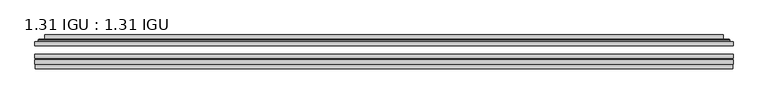
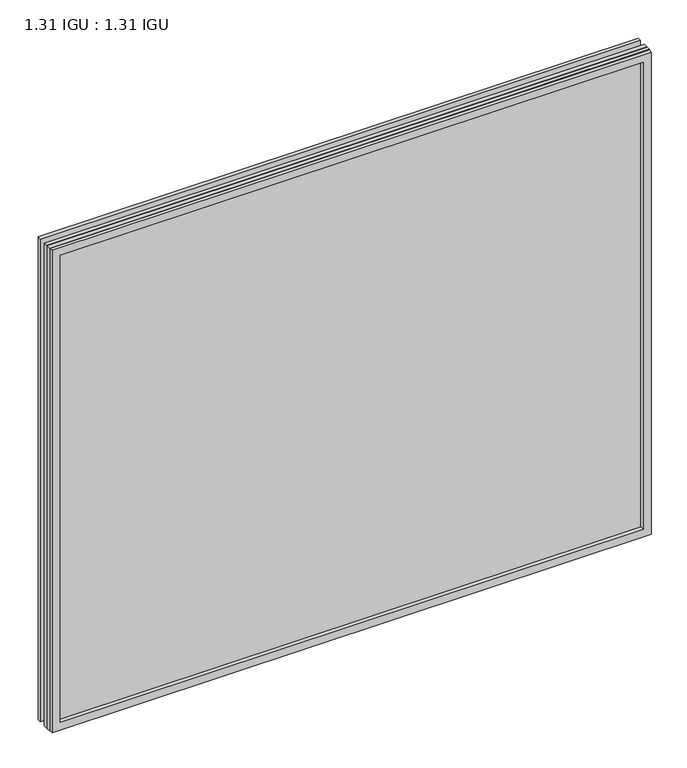
"""IFC4 building model written with IfcOpenShell, lengths in millimetres: plate geometry, 1.31 IGU : 1.31 IGU."""

from ifc_helpers import new_model, si_unit, frame, origin, place, context, project, spatial, polyline, ellipse_curve, outline, extrude, faceted_brep, source, transform, mapped, element, save
from ifc_brep_helpers import plane_surface, cylinder_surface, advanced_brep


def plate_1_31_igu_1_31_igu_73ab1890(model_context):
    return source(origin(), model_context, "Body", "SolidModel", [
        extrude(outline(polyline([(511.189175, -63.59525), (511.189175, -69.94525), (-511.175, -69.94525), (-511.175, -63.59525), (511.189175, -63.59525)])), frame((0.0, 0.0, -14.2875), z_axis=(0.0, 0.0, 1.0), x_axis=(1.0, 0.0, 0.0)), (0.0, 0.0, 1.0), 869.9537979),
        extrude(outline(polyline([(-511.175, -78.58125), (-511.175, -72.230745), (511.189175, -72.230745), (511.189175, -78.58125), (-511.175, -78.58125)])), frame((0.0, 0.0, -14.2875), z_axis=(0.0, 0.0, 1.0), x_axis=(1.0, 0.0, 0.0)), (0.0, 0.0, 1.0), 869.9537979),
        extrude(outline(polyline([(511.189175, -45.25645), (511.189175, -51.60645), (-511.175, -51.60645), (-511.175, -45.25645), (511.189175, -45.25645)])), frame((0.0, 0.0, -14.2875), z_axis=(0.0, 0.0, 1.0), x_axis=(1.0, 0.0, 0.0)), (0.0, 0.0, 1.0), 869.9537979),
        faceted_brep([(-510.4748142, -84.93125, 854.9623142), (-510.4748142, -78.58125, 854.9623142), (-510.4748142, -78.58125, -13.5873142), (-510.4748142, -84.93125, -13.5873142), (510.4748142, -78.58125, -13.5873142), (510.4748142, -84.93125, -13.5873142), (510.4748142, -78.58125, 854.9623142), (510.4748142, -84.93125, 854.9623142), (-495.9897559, -78.58125, 0.8977441), (495.9897559, -78.58125, 0.8977441), (495.9897559, -78.58125, 840.4772559), (-495.9897559, -78.58125, 840.4772559), (-496.8821902, -84.93125, 841.3696902), (496.8821902, -84.93125, 841.3696902), (496.8821902, -84.93125, 0.0053098), (-496.8821902, -84.93125, 0.0053098)], [[[0, 1, 2, 3]], [[3, 2, 4, 5]], [[5, 4, 6, 7]], [[1, 6, 4, 2], [8, 9, 10, 11]], [[7, 6, 1, 0]], [[3, 5, 7, 0], [12, 13, 14, 15]], [[11, 12, 15, 8]], [[8, 15, 14, 9]], [[9, 14, 13, 10]], [[10, 13, 12, 11]]]),
        advanced_brep(
        [(-503.933719, -45.25645, 848.4212191), (-506.2879244, -43.2667833, 850.7754244), (-506.2879244, -43.2667833, -9.4004244), (-503.933719, -45.25645, -7.046219), (-494.8593939, -41.416413, 839.3468939), (-489.9245621, -45.25645, 834.4120621), (-489.9245621, -45.25645, 6.9629379), (-494.8593939, -41.416413, 2.0281061), (-495.8914217, -36.0191819, 840.3789217), (-495.8914217, -36.0191819, 0.9960783), (-496.8820784, -35.6202069, 841.3695784), (-496.8820784, -35.6202069, 0.0054216), (-496.8820784, -42.08145, 841.3695784), (-496.8820784, -42.08145, 0.0054216), (-505.2861349, -42.08145, 849.7736349), (-505.2861349, -42.08145, -8.3986349), (506.2879244, -43.2667833, -9.4004244), (503.933719, -45.25645, -7.046219), (489.9245621, -45.25645, 6.9629379), (494.8593939, -41.416413, 2.0281061), (495.8914217, -36.0191819, 0.9960783), (496.8820784, -35.6202069, 0.0054216), (496.8820784, -42.08145, 0.0054216), (505.2861349, -42.08145, -8.3986349), (506.2879244, -43.2667833, 850.7754244), (503.933719, -45.25645, 848.4212191), (489.9245621, -45.25645, 834.4120621), (494.8593939, -41.416413, 839.3468939), (495.8914217, -36.0191819, 840.3789217), (496.8820784, -35.6202069, 841.3695784), (496.8820784, -42.08145, 841.3695784), (505.2861349, -42.08145, 849.7736349)],
        [
            (0, 1, ellipse_curve(frame((-503.933719, -42.86885, 848.4212191), z_axis=(-0.7071067811865475, 0.0, -0.7071067811865475), x_axis=(-0.7071067811865474, 0.0, 0.7071067811865476)), 3.3765763, 2.3876)),
            (1, 2),
            (2, 3, ellipse_curve(frame((-503.933719, -42.86885, -7.046219), z_axis=(-0.7071067811865475, 0.0, 0.7071067811865475), x_axis=(0.7071067811865474, 0.0, 0.7071067811865476)), 3.3765763, 2.3876)),
            (3, 0),
            (4, 5),
            (5, 6),
            (6, 7),
            (7, 4),
            (8, 4),
            (7, 9),
            (9, 8),
            (10, 8, ellipse_curve(frame((-496.5151219, -36.1384423, 841.0026219), z_axis=(-0.7071067811865475, 0.0, -0.7071067811865475), x_axis=(-0.7071067811865474, 0.0, 0.7071067811865476)), 0.8980256, 0.635)),
            (9, 11, ellipse_curve(frame((-496.5151219, -36.1384423, 0.3723781), z_axis=(-0.7071067811865475, 0.0, 0.7071067811865475), x_axis=(0.7071067811865474, 0.0, 0.7071067811865476)), 0.8980256, 0.635)),
            (11, 10),
            (12, 10),
            (11, 13),
            (13, 12),
            (1, 14, ellipse_curve(frame((-505.2861349, -43.09745, 849.7736349), z_axis=(-0.7071067811865475, 0.0, -0.7071067811865475), x_axis=(-0.7071067811865474, 0.0, 0.7071067811865476)), 1.436841, 1.016)),
            (14, 15),
            (15, 2, ellipse_curve(frame((-505.2861349, -43.09745, -8.3986349), z_axis=(-0.7071067811865475, 0.0, 0.7071067811865475), x_axis=(0.7071067811865474, 0.0, 0.7071067811865476)), 1.436841, 1.016)),
            (2, 16),
            (16, 17, ellipse_curve(frame((503.933719, -42.86885, -7.046219), z_axis=(-0.7071067811865475, 0.0, -0.7071067811865475), x_axis=(-0.7071067811865476, 0.0, 0.7071067811865474)), 3.3765763, 2.3876)),
            (17, 3),
            (6, 18),
            (18, 19),
            (19, 7),
            (19, 20),
            (20, 9),
            (20, 21, ellipse_curve(frame((496.5151219, -36.1384423, 0.3723781), z_axis=(-0.7071067811865475, 0.0, -0.7071067811865475), x_axis=(-0.7071067811865476, 0.0, 0.7071067811865474)), 0.8980256, 0.635)),
            (21, 11),
            (21, 22),
            (22, 13),
            (15, 23),
            (23, 16, ellipse_curve(frame((505.2861349, -43.09745, -8.3986349), z_axis=(-0.7071067811865475, 0.0, -0.7071067811865475), x_axis=(-0.7071067811865476, 0.0, 0.7071067811865474)), 1.436841, 1.016)),
            (16, 24),
            (24, 25, ellipse_curve(frame((503.933719, -42.86885, 848.4212191), z_axis=(0.7071067811865475, 0.0, -0.7071067811865475), x_axis=(-0.7071067811865474, 0.0, -0.7071067811865476)), 3.3765763, 2.3876)),
            (25, 17),
            (18, 26),
            (26, 27),
            (27, 19),
            (27, 28),
            (28, 20),
            (28, 29, ellipse_curve(frame((496.5151219, -36.1384423, 841.0026219), z_axis=(0.7071067811865475, 0.0, -0.7071067811865475), x_axis=(-0.7071067811865474, 0.0, -0.7071067811865476)), 0.8980256, 0.635)),
            (29, 21),
            (29, 30),
            (30, 22),
            (23, 31),
            (31, 24, ellipse_curve(frame((505.2861349, -43.09745, 849.7736349), z_axis=(0.7071067811865475, 0.0, -0.7071067811865475), x_axis=(-0.7071067811865474, 0.0, -0.7071067811865476)), 1.436841, 1.016)),
            (24, 1),
            (0, 25),
            (5, 26),
            (4, 27),
            (8, 28),
            (10, 29),
            (12, 30),
            (14, 31),
        ],
        [
            cylinder_surface(frame((-503.933719, -42.86885, 873.125), z_axis=(0.0, 0.0, 1.0), x_axis=(-1.0, 0.0, 0.0)), 2.3876),
            plane_surface(frame((-489.9245621, -45.25645, 834.4120621), z_axis=(0.6141233906514794, 0.7892100234124821, 0.0), x_axis=(0.0, 0.0, -1.0))),
            plane_surface(frame((-494.8593939, -41.416413, 839.3468939), z_axis=(0.9822050625507729, 0.18781164793386076, 0.0), x_axis=(0.0, 0.0, -1.0))),
            cylinder_surface(frame((-496.5151219, -36.1384423, 873.125), z_axis=(0.0, 0.0, 1.0), x_axis=(-1.0, 0.0, 0.0)), 0.635),
            plane_surface(frame((-496.8820784, -35.6202069, 841.3695784), z_axis=(-1.0, 0.0, 0.0), x_axis=(0.0, 0.0, -1.0))),
            cylinder_surface(frame((-505.2861349, -43.09745, 873.125), z_axis=(0.0, 0.0, 1.0), x_axis=(-1.0, 0.0, 0.0)), 1.016),
            cylinder_surface(frame((-528.6375, -42.86885, -7.046219), z_axis=(-1.0, 0.0, 0.0), x_axis=(0.0, 0.0, -1.0)), 2.3876),
            plane_surface(frame((-489.9245621, -45.25645, 6.9629379), z_axis=(0.0, 0.7892100234124841, 0.6141233906514768), x_axis=(1.0, 0.0, 0.0))),
            plane_surface(frame((-494.8593939, -41.416413, 2.0281061), z_axis=(0.0, 0.18781164793386393, 0.9822050625507723), x_axis=(1.0, 0.0, 0.0))),
            cylinder_surface(frame((-528.6375, -36.1384423, 0.3723781), z_axis=(-1.0, 0.0, 0.0), x_axis=(0.0, 0.0, -1.0)), 0.635),
            plane_surface(frame((-496.8820784, -35.6202069, 0.0054216), z_axis=(0.0, 0.0, -1.0), x_axis=(1.0, 0.0, 0.0))),
            cylinder_surface(frame((-528.6375, -43.09745, -8.3986349), z_axis=(-1.0, 0.0, 0.0), x_axis=(0.0, 0.0, -1.0)), 1.016),
            cylinder_surface(frame((503.933719, -42.86885, -31.75), z_axis=(0.0, 0.0, -1.0), x_axis=(1.0, 0.0, 0.0)), 2.3876),
            plane_surface(frame((489.9245621, -45.25645, 6.9629379), z_axis=(-0.6141233906514743, 0.7892100234124861, 0.0), x_axis=(0.0, 0.0, 1.0))),
            plane_surface(frame((494.8593939, -41.416413, 2.0281061), z_axis=(-0.9822050625507718, 0.1878116479338671, 0.0), x_axis=(0.0, 0.0, 1.0))),
            cylinder_surface(frame((496.5151219, -36.1384423, -31.75), z_axis=(0.0, 0.0, -1.0), x_axis=(1.0, 0.0, 0.0)), 0.635),
            plane_surface(frame((496.8820784, -35.6202069, 0.0054216), z_axis=(1.0, 0.0, 0.0), x_axis=(0.0, 0.0, 1.0))),
            cylinder_surface(frame((505.2861349, -43.09745, -31.75), z_axis=(0.0, 0.0, -1.0), x_axis=(1.0, 0.0, 0.0)), 1.016),
            cylinder_surface(frame((528.6375, -42.86885, 848.4212191), z_axis=(1.0, 0.0, 0.0), x_axis=(0.0, 0.0, 1.0)), 2.3876),
            plane_surface(frame((503.933719, -45.25645, 848.4212191), z_axis=(0.0, -1.0, 0.0), x_axis=(-1.0, 0.0, 0.0))),
            plane_surface(frame((489.9245621, -45.25645, 834.4120621), z_axis=(0.0, 0.7892100234124841, -0.6141233906514768), x_axis=(-1.0, 0.0, 0.0))),
            plane_surface(frame((494.8593939, -41.416413, 839.3468939), z_axis=(0.0, 0.18781164793386393, -0.9822050625507723), x_axis=(-1.0, 0.0, 0.0))),
            cylinder_surface(frame((528.6375, -36.1384423, 841.0026219), z_axis=(1.0, 0.0, 0.0), x_axis=(0.0, 0.0, 1.0)), 0.635),
            plane_surface(frame((496.8820784, -35.6202069, 841.3695784), z_axis=(0.0, 0.0, 1.0), x_axis=(-1.0, 0.0, 0.0))),
            plane_surface(frame((496.8820784, -42.08145, 841.3695784), z_axis=(0.0, 1.0, 0.0), x_axis=(-1.0, 0.0, 0.0))),
            cylinder_surface(frame((528.6375, -43.09745, 849.7736349), z_axis=(1.0, 0.0, 0.0), x_axis=(0.0, 0.0, 1.0)), 1.016),
        ],
        [
            (0, [[1, 2, 3, 4]]),
            (1, [[5, 6, 7, 8]]),
            (2, [[9, -8, 10, 11]]),
            (3, [[12, -11, 13, 14]]),
            (4, [[15, -14, 16, 17]]),
            (5, [[18, 19, 20, -2]]),
            (6, [[-3, 21, 22, 23]]),
            (7, [[-7, 24, 25, 26]]),
            (8, [[-10, -26, 27, 28]]),
            (9, [[-13, -28, 29, 30]]),
            (10, [[-16, -30, 31, 32]]),
            (11, [[-20, 33, 34, -21]]),
            (12, [[-22, 35, 36, 37]]),
            (13, [[-25, 38, 39, 40]]),
            (14, [[-27, -40, 41, 42]]),
            (15, [[-29, -42, 43, 44]]),
            (16, [[-31, -44, 45, 46]]),
            (17, [[-34, 47, 48, -35]]),
            (18, [[-36, 49, -1, 50]]),
            (19, [[-23, -37, -50, -4], [51, -38, -24, -6]]),
            (20, [[-39, -51, -5, 52]]),
            (21, [[-41, -52, -9, 53]]),
            (22, [[-43, -53, -12, 54]]),
            (23, [[-45, -54, -15, 55]]),
            (24, [[56, -47, -33, -19], [-32, -46, -55, -17]]),
            (25, [[-48, -56, -18, -49]]),
        ],
    ),
    ])


if __name__ == "__main__":
    model = new_model("IFC4")
    model_context = context("Model", 3, world=origin())
    ifc_project = project(units=[si_unit("LENGTHUNIT", "METRE", prefix="MILLI")], contexts=[model_context])
    site = spatial("IfcSite", under=ifc_project)
    building = spatial("IfcBuilding", under=site)
    placement = place(None, origin())
    plate_1_31_igu_1_31_igu_shape = plate_1_31_igu_1_31_igu_73ab1890(model_context)
    element("IfcPlate", 1, ObjectType="1.31 IGU : 1.31 IGU", at=placement, inside=building, context=model_context, shape_type="MappedRepresentation", body=[
        mapped(plate_1_31_igu_1_31_igu_shape, transform((0.0, 0.0, 0.0), x_axis=(1.0, 0.0, 0.0), y_axis=(0.0, 1.0, 0.0), z_axis=(0.0, 0.0, 1.0))),
    ])
    save(model, "model.ifc")
